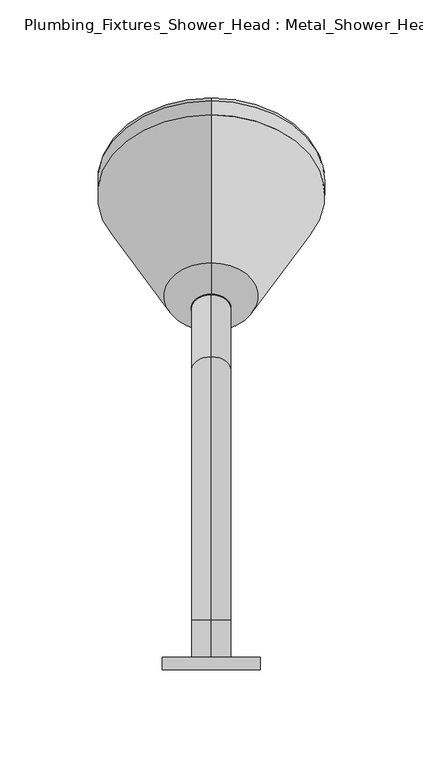
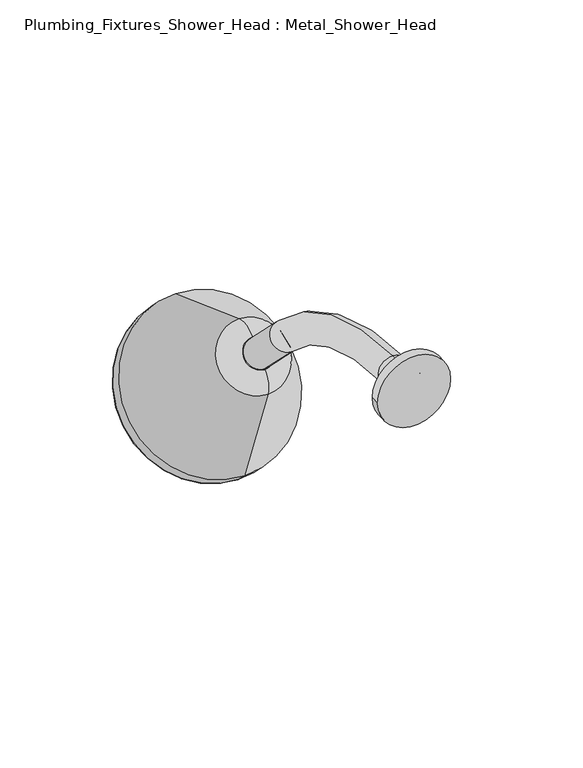
"""IFC4 building model written with IfcOpenShell, lengths in millimetres: flow terminal geometry, Plumbing_Fixtures_Shower_Head : Metal_Shower_Head."""

from ifc_helpers import new_model, si_unit, point, frame, frame_2d, origin, place, context, project, spatial, polyline, circle_curve, ellipse_curve, trimmed, segment, composite_curve, outline, extrude, source, transform, mapped, element, save
from ifc_brep_helpers import plane_surface, cylinder_surface, revolved_surface, advanced_brep


def plumbing_fixtures_shower_head_metal_shower_head_b2a460ee(model_context):
    return source(origin(), model_context, "Body", "SolidModel", [
        extrude(outline(composite_curve([segment(trimmed(circle_curve(frame_2d((1600.0, 0.0)), 25.0), [point((1600.0, -25.0))], [point((1600.0, 25.0))], False, "CARTESIAN"), True, "CONTINUOUS"), segment(trimmed(circle_curve(frame_2d((1600.0, 0.0)), 25.0), [point((1600.0, 25.0))], [point((1600.0, -25.0))], False, "CARTESIAN"), True, "CONTINUOUS")], self_intersect=False)), frame((0.0, 0.0, 0.0), z_axis=(0.0, 1.0, 0.0), x_axis=(0.0, 0.0, 1.0)), (0.0, 0.0, 1.0), 6.4821489),
        advanced_brep(
        [(0.0, 207.6624735, 1526.3331882), (0.0, 173.6668118, 1492.3375265), (0.0, 177.1555994, 1508.0744304), (0.0, 191.9255696, 1522.8444006), (0.0, 283.255056, 1498.8197382), (0.0, 201.1802618, 1416.744944), (0.0, 290.3261238, 1491.7486704), (0.0, 208.2513296, 1409.6738762), (0.0, 290.3261238, 1484.6776026), (0.0, 215.3223974, 1409.6738762), (0.0, 288.6229509, 1482.9744296), (0.0, 217.0255704, 1411.3770491), (0.0, 287.2087373, 1484.3886432), (0.0, 215.6113568, 1412.7912627), (0.0, 251.4100471, 1448.5899529), (0.0, 184.5405845, 1515.4594155)],
        [
            (0, 1, circle_curve(frame((0.0, 190.6646427, 1509.3353573), z_axis=(0.0, -0.7071067811865374, 0.7071067811865579), x_axis=(0.0, -0.7071067811865579, -0.7071067811865374)), 24.0385629)),
            (1, 2, circle_curve(frame((0.0, 187.7622012, 1497.4678286), z_axis=(-1.0000000000000002, 0.0, 0.0), x_axis=(0.0, 1.0000000000000002, 0.0)), 15.0)),
            (2, 3, circle_curve(frame((0.0, 184.5405845, 1515.4594155), z_axis=(0.0, 0.7071067811865374, -0.7071067811865579), x_axis=(0.0, -0.7071067811865579, -0.7071067811865374)), 10.4439461)),
            (3, 0, circle_curve(frame((0.0, 202.5321714, 1512.2377988), z_axis=(-1.0000000000000002, 0.0, 0.0), x_axis=(0.0, 0.0, -1.0000000000000002)), 15.0)),
            (1, 0, circle_curve(frame((0.0, 190.6646427, 1509.3353573), z_axis=(0.0, -0.7071067811865374, 0.7071067811865579), x_axis=(0.0, -0.7071067811865579, -0.7071067811865374)), 24.0385629)),
            (3, 2, circle_curve(frame((0.0, 184.5405845, 1515.4594155), z_axis=(0.0, 0.7071067811865374, -0.7071067811865579), x_axis=(0.0, -0.7071067811865579, -0.7071067811865374)), 10.4439461)),
            (4, 5, circle_curve(frame((0.0, 242.2176589, 1457.7823411), z_axis=(0.0, -0.7071067811865374, 0.7071067811865579), x_axis=(0.0, -0.7071067811865579, -0.7071067811865374)), 58.0356436)),
            (5, 1),
            (0, 4),
            (5, 4, circle_curve(frame((0.0, 242.2176589, 1457.7823411), z_axis=(0.0, -0.7071067811865374, 0.7071067811865579), x_axis=(0.0, -0.7071067811865579, -0.7071067811865374)), 58.0356436)),
            (6, 7, circle_curve(frame((0.0, 249.2887267, 1450.7112733), z_axis=(0.0, -0.7071067811865374, 0.7071067811865579), x_axis=(0.0, -0.7071067811865579, -0.7071067811865374)), 58.0356436)),
            (7, 5),
            (4, 6),
            (7, 6, circle_curve(frame((0.0, 249.2887267, 1450.7112733), z_axis=(0.0, -0.7071067811865374, 0.7071067811865579), x_axis=(0.0, -0.7071067811865579, -0.7071067811865374)), 58.0356436)),
            (8, 9, circle_curve(frame((0.0, 252.8242606, 1447.1757394), z_axis=(0.0, -0.7071067811865374, 0.7071067811865579), x_axis=(0.0, -0.7071067811865579, -0.7071067811865374)), 53.0356436)),
            (9, 7, circle_curve(frame((0.0, 211.7868635, 1413.2094101), z_axis=(-1.0000000000000002, 0.0, 0.0), x_axis=(0.0, 1.0000000000000002, 0.0)), 5.0)),
            (6, 8, circle_curve(frame((0.0, 286.7905899, 1488.2131365), z_axis=(-1.0000000000000002, 0.0, 0.0), x_axis=(0.0, 0.0, -1.0000000000000002)), 5.0)),
            (9, 8, circle_curve(frame((0.0, 252.8242606, 1447.1757394), z_axis=(0.0, -0.7071067811865374, 0.7071067811865579), x_axis=(0.0, -0.7071067811865579, -0.7071067811865374)), 53.0356436)),
            (10, 11, circle_curve(frame((0.0, 252.8242606, 1447.1757394), z_axis=(0.0, -0.7071067811865374, 0.7071067811865579), x_axis=(0.0, -0.7071067811865579, -0.7071067811865374)), 50.6269933)),
            (11, 9),
            (8, 10),
            (11, 10, circle_curve(frame((0.0, 252.8242606, 1447.1757394), z_axis=(0.0, -0.7071067811865374, 0.7071067811865579), x_axis=(0.0, -0.7071067811865579, -0.7071067811865374)), 50.6269933)),
            (12, 13, circle_curve(frame((0.0, 251.4100471, 1448.5899529), z_axis=(0.0, -0.7071067811865374, 0.7071067811865579), x_axis=(0.0, -0.7071067811865579, -0.7071067811865374)), 50.6269933)),
            (13, 11),
            (10, 12),
            (13, 12, circle_curve(frame((0.0, 251.4100471, 1448.5899529), z_axis=(0.0, -0.7071067811865374, 0.7071067811865579), x_axis=(0.0, -0.7071067811865579, -0.7071067811865374)), 50.6269933)),
            (14, 13),
            (12, 14),
            (2, 15),
            (15, 3),
        ],
        [
            revolved_surface(trimmed(ellipse_curve(frame((0.0, 187.7622012, 1497.4678286), z_axis=(1.0000000000000002, 0.0, 0.0), x_axis=(0.0, 1.0000000000000002, 0.0)), 15.0, 15.0), [point((0.0, 177.1555994, 1508.0744304))], [point((0.0, 173.6668118, 1492.3375265))], True, "CARTESIAN"), (0.0, 184.5405845, 1515.4594155), (0.0, 0.7071067811865374, -0.7071067811865579)),
            revolved_surface(polyline([(0.0, 173.6668118, 1492.3375265), (0.0, 201.1802618, 1416.744944)]), (0.0, 184.5405845, 1515.4594155), (0.0, 0.7071067811865374, -0.7071067811865579)),
            cylinder_surface(frame((0.0, 184.5405845, 1515.4594155), z_axis=(0.0, 0.7071067811865374, -0.7071067811865579), x_axis=(0.0, -0.7071067811865579, -0.7071067811865374)), 58.0356436),
            revolved_surface(trimmed(ellipse_curve(frame((0.0, 211.7868635, 1413.2094101), z_axis=(1.0000000000000002, 0.0, 0.0), x_axis=(0.0, 1.0000000000000002, 0.0)), 5.0, 5.0), [point((0.0, 208.2513296, 1409.6738762))], [point((0.0, 215.3223974, 1409.6738762))], True, "CARTESIAN"), (0.0, 184.5405845, 1515.4594155), (0.0, 0.7071067811865374, -0.7071067811865579)),
            plane_surface(frame((0.0, 252.8242606, 1447.1757394), z_axis=(0.0, 0.7071067811865374, -0.7071067811865579), x_axis=(0.0, -0.7071067811865579, -0.7071067811865374))),
            revolved_surface(polyline([(0.0, 217.02557037648307, 1411.3770490764832), (0.0, 215.61135677648213, 1412.7912626764842)]), (0.0, 184.5405845, 1515.4594155), (0.0, 0.7071067811865374, -0.7071067811865579)),
            plane_surface(frame((0.0, 251.4100471, 1448.5899529), z_axis=(0.0, 0.7071067811865374, -0.7071067811865579), x_axis=(0.0, -0.7071067811865579, -0.7071067811865374))),
            plane_surface(frame((0.0, 184.5405845, 1515.4594155), z_axis=(0.0, -0.7071067811865374, 0.7071067811865579), x_axis=(0.0, -0.7071067811865579, -0.7071067811865374))),
        ],
        [
            (0, [[1, 2, 3, 4]]),
            (0, [[5, -4, 6, -2]]),
            (1, [[7, 8, -1, 9]]),
            (1, [[10, -9, -5, -8]]),
            (2, [[11, 12, -7, 13]]),
            (2, [[14, -13, -10, -12]]),
            (3, [[15, 16, -11, 17]]),
            (3, [[18, -17, -14, -16]]),
            (4, [[19, 20, -15, 21]]),
            (4, [[22, -21, -18, -20]]),
            (5, [[23, 24, -19, 25]]),
            (5, [[26, -25, -22, -24]]),
            (6, [[27, -23, 28]]),
            (6, [[-28, -26, -27]]),
            (7, [[-3, 29, 30]]),
            (7, [[-6, -30, -29]]),
        ],
    ),
        advanced_brep(
        [(0.0, 6.4821489, 1590.0), (0.0, 6.4821489, 1610.0), (0.0, 25.4415588, 1590.0), (0.0, 25.4415588, 1610.0), (0.0, 159.7918472, 1554.3502884), (0.0, 145.6497116, 1540.2081528), (0.0, 177.4695167, 1508.3883476), (0.0, 191.6116524, 1522.5304833)],
        [
            (0, 1, circle_curve(frame((0.0, 6.4821489, 1600.0), z_axis=(0.0, -1.0, 0.0), x_axis=(0.0, 0.0, 1.0)), 10.0)),
            (1, 0, circle_curve(frame((0.0, 6.4821489, 1600.0), z_axis=(0.0, -1.0, 0.0), x_axis=(0.0, 0.0, 1.0)), 10.0)),
            (0, 2),
            (2, 3, circle_curve(frame((0.0, 25.4415588, 1600.0), z_axis=(0.0, -1.0, 0.0), x_axis=(0.0, 0.0, 1.0)), 10.0)),
            (3, 1),
            (3, 2, circle_curve(frame((0.0, 25.4415588, 1600.0), z_axis=(0.0, -1.0, 0.0), x_axis=(0.0, 0.0, 1.0)), 10.0)),
            (4, 3, circle_curve(frame((0.0, 25.4415588, 1420.0), z_axis=(1.0, 0.0, 0.0), x_axis=(0.0, 0.0, 1.0)), 190.0)),
            (2, 5, circle_curve(frame((0.0, 25.4415588, 1420.0), z_axis=(-1.0, 0.0, 0.0), x_axis=(0.0, 0.0, 1.0)), 170.0)),
            (5, 4, circle_curve(frame((0.0, 152.7207794, 1547.2792206), z_axis=(0.0, -0.7071067811865417, 0.7071067811865533), x_axis=(0.0, 0.7071067811865533, 0.7071067811865417)), 10.0)),
            (4, 5, circle_curve(frame((0.0, 152.7207794, 1547.2792206), z_axis=(0.0, -0.7071067811865416, 0.7071067811865535), x_axis=(0.0, 0.7071067811865535, 0.7071067811865416)), 10.0)),
            (6, 7, circle_curve(frame((0.0, 184.5405845, 1515.4594155), z_axis=(0.0, 0.7071067811865412, -0.7071067811865539), x_axis=(0.0, 0.7071067811865539, 0.7071067811865412)), 10.0)),
            (7, 6, circle_curve(frame((0.0, 184.5405845, 1515.4594155), z_axis=(0.0, 0.7071067811865412, -0.7071067811865539), x_axis=(0.0, 0.7071067811865539, 0.7071067811865412)), 10.0)),
            (5, 6),
            (7, 4),
        ],
        [
            plane_surface(frame((0.0, 6.4821489, 1600.0), z_axis=(0.0, -1.0, 0.0), x_axis=(1.0, 0.0, 0.0))),
            cylinder_surface(frame((0.0, 6.4821489, 1600.0), z_axis=(0.0, -1.0, 0.0), x_axis=(0.0, 0.0, 1.0)), 10.0),
            revolved_surface(trimmed(ellipse_curve(frame((0.0, 25.4415588, 1600.0), z_axis=(0.0, -1.0, 0.0), x_axis=(0.0, 0.0, 1.0)), 10.0, 10.0), [point((0.0, 25.4415588, 1590.0))], [point((0.0, 25.4415588, 1610.0))], True, "CARTESIAN"), (0.0, 25.4415588, 1420.0), (-1.0, 0.0, 0.0)),
            revolved_surface(trimmed(ellipse_curve(frame((0.0, 25.4415588, 1600.0), z_axis=(0.0, -1.0, 0.0), x_axis=(0.0, 0.0, 1.0)), 10.0, 10.0), [point((0.0, 25.4415588, 1610.0))], [point((0.0, 25.4415588, 1590.0))], True, "CARTESIAN"), (0.0, 25.4415588, 1420.0), (-1.0, 0.0, 0.0)),
            plane_surface(frame((0.0, 184.5405845, 1515.4594155), z_axis=(0.0, 0.7071067811865412, -0.7071067811865539), x_axis=(1.0, 0.0, 0.0))),
            cylinder_surface(frame((0.0, 152.7207794, 1547.2792206), z_axis=(0.0, -0.7071067811865412, 0.7071067811865539), x_axis=(0.0, 0.7071067811865539, 0.7071067811865412)), 10.0),
        ],
        [
            (0, [[1, 2]]),
            (1, [[-1, 3, 4, 5]]),
            (1, [[-2, -5, 6, -3]]),
            (2, [[7, -4, 8, 9]]),
            (3, [[-8, -6, -7, 10]]),
            (4, [[11, 12]]),
            (5, [[-9, 13, -12, 14]]),
            (5, [[-10, -14, -11, -13]]),
        ],
    ),
    ])


if __name__ == "__main__":
    model = new_model("IFC4")
    model_context = context("Model", 3, world=origin())
    ifc_project = project(units=[si_unit("LENGTHUNIT", "METRE", prefix="MILLI")], contexts=[model_context])
    site = spatial("IfcSite", under=ifc_project)
    building = spatial("IfcBuilding", under=site)
    placement = place(None, origin())
    plumbing_fixtures_shower_head_metal_shower_head_shape = plumbing_fixtures_shower_head_metal_shower_head_b2a460ee(model_context)
    element("IfcFlowTerminal", 1, ObjectType="Plumbing_Fixtures_Shower_Head : Metal_Shower_Head", at=placement, inside=building, context=model_context, shape_type="MappedRepresentation", body=[
        mapped(plumbing_fixtures_shower_head_metal_shower_head_shape, transform((0.0, 0.0, 0.0), x_axis=(1.0, 0.0, 0.0), y_axis=(0.0, 1.0, 0.0), z_axis=(0.0, 0.0, 1.0))),
    ])
    save(model, "model.ifc")
